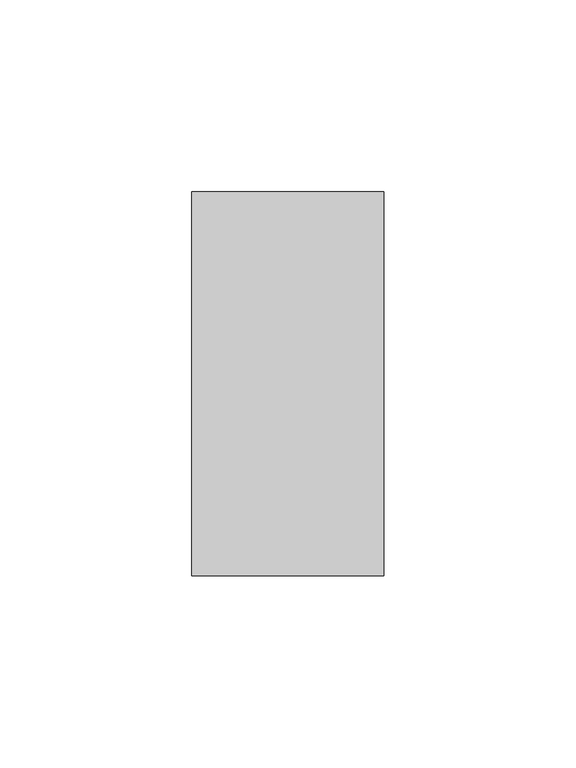
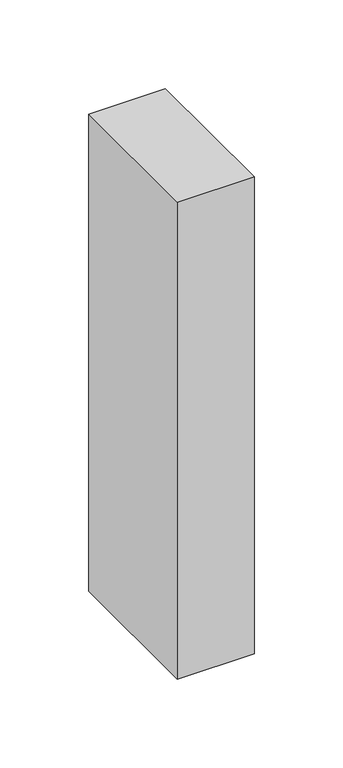
"""IFC4 building model written with IfcOpenShell, lengths in millimetres: member geometry."""

from ifc_helpers import new_model, si_unit, frame, origin, place, context, project, spatial, polyline, outline, extrude, source, transform, mapped, element, save


def member_5b5a1259(model_context):
    return source(origin(), model_context, "Body", "SweptSolid", [
        extrude(outline(polyline([(25.0, 50.0), (25.0, -50.0), (-25.0, -50.0), (-25.0, 50.0), (25.0, 50.0)])), frame((0.0, 0.0, -328.6842105), z_axis=(0.0, 0.0, 1.0), x_axis=(1.0, 0.0, 0.0)), (0.0, 0.0, 1.0), 328.6842105),
    ])


if __name__ == "__main__":
    model = new_model("IFC4")
    model_context = context("Model", 3, world=origin())
    ifc_project = project(units=[si_unit("LENGTHUNIT", "METRE", prefix="MILLI")], contexts=[model_context])
    site = spatial("IfcSite", under=ifc_project)
    building = spatial("IfcBuilding", under=site)
    placement = place(None, origin())
    member_shape = member_5b5a1259(model_context)
    element("IfcMember", 1, at=placement, inside=building, context=model_context, shape_type="MappedRepresentation", body=[
        mapped(member_shape, transform((0.0, 0.0, 0.0), x_axis=(1.0, 0.0, 0.0), y_axis=(0.0, 1.0, 0.0), z_axis=(0.0, 0.0, 1.0))),
    ])
    save(model, "model.ifc")
